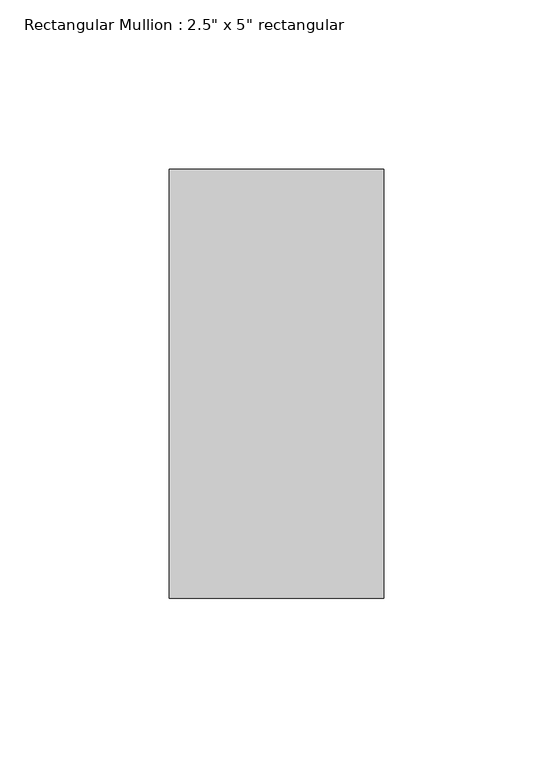
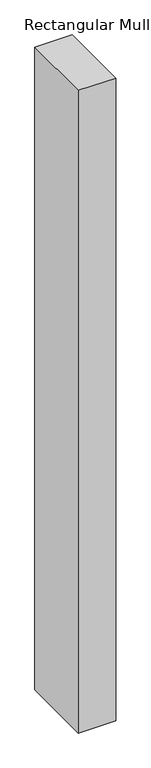
"""IFC4 building model written with IfcOpenShell, lengths in millimetres: member geometry."""

from ifc_helpers import new_model, si_unit, frame, origin, place, context, project, spatial, polyline, outline, extrude, source, transform, mapped, element, save


def member_ee5c4128(model_context):
    return source(origin(), model_context, "Body", "SweptSolid", [
        extrude(outline(polyline([(31.75, 63.5), (31.75, -63.5), (-31.75, -63.5), (-31.75, 63.5), (31.75, 63.5)])), frame((0.0, 0.0, -1148.0800002), z_axis=(0.0, 0.0, 1.0), x_axis=(1.0, 0.0, 0.0)), (0.0, 0.0, 1.0), 1148.0800002),
    ])


if __name__ == "__main__":
    model = new_model("IFC4")
    model_context = context("Model", 3, world=origin())
    ifc_project = project(units=[si_unit("LENGTHUNIT", "METRE", prefix="MILLI")], contexts=[model_context])
    site = spatial("IfcSite", under=ifc_project)
    building = spatial("IfcBuilding", under=site)
    placement = place(None, origin())
    member_shape = member_ee5c4128(model_context)
    element("IfcMember", 1, ObjectType="Rectangular Mullion : 2.5\" x 5\" rectangular", at=placement, inside=building, context=model_context, shape_type="MappedRepresentation", body=[
        mapped(member_shape, transform((0.0, 0.0, 0.0), x_axis=(1.0, 0.0, 0.0), y_axis=(0.0, 1.0, 0.0), z_axis=(0.0, 0.0, 1.0))),
    ])
    save(model, "model.ifc")
